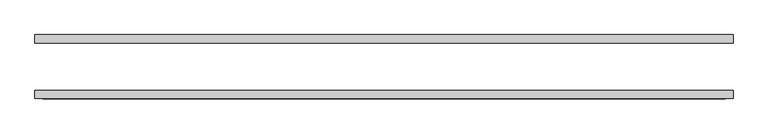
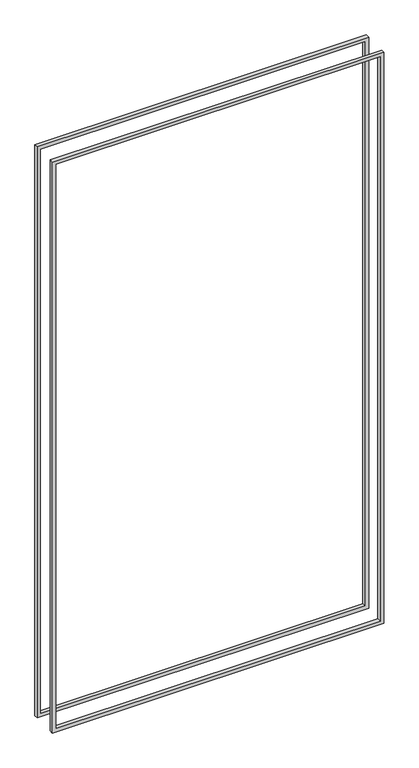
"""IFC4 building model written with IfcOpenShell, lengths in millimetres: proxy geometry."""

from ifc_helpers import new_model, si_unit, frame, origin, place, context, project, spatial, polyline, outline, extrude, source, transform, mapped, element, save


def generic_models_e42c4bb4(model_context):
    return source(origin(), model_context, "Body", "SweptSolid", [
        extrude(outline(polyline([(2392.3625, -649.2875), (26.9875, -649.2875), (26.9875, 649.2875), (2392.3625, 649.2875), (2392.3625, -649.2875)]), holes=[polyline([(2378.075, 635.0), (41.275, 635.0), (41.275, -635.0), (2378.075, -635.0), (2378.075, 635.0)])]), frame((0.0, -59.53125, 0.0), z_axis=(0.0, 1.0, 0.0), x_axis=(0.0, 0.0, 1.0)), (0.0, 0.0, 1.0), 15.08125),
        extrude(outline(polyline([(26.9875, 649.2875), (2392.3625, 649.2875), (2392.3625, -649.2875), (26.9875, -649.2875), (26.9875, 649.2875)]), holes=[polyline([(41.275, -635.0), (2378.075, -635.0), (2378.075, 635.0), (41.275, 635.0), (41.275, -635.0)])]), frame((0.0, 44.45, 0.0), z_axis=(0.0, 1.0, 0.0), x_axis=(0.0, 0.0, 1.0)), (0.0, 0.0, 1.0), 15.08125),
    ])


if __name__ == "__main__":
    model = new_model("IFC4")
    model_context = context("Model", 3, world=origin())
    ifc_project = project(units=[si_unit("LENGTHUNIT", "METRE", prefix="MILLI")], contexts=[model_context])
    site = spatial("IfcSite", under=ifc_project)
    building = spatial("IfcBuilding", under=site)
    placement = place(None, origin())
    generic_models_shape = generic_models_e42c4bb4(model_context)
    element("IfcBuildingElementProxy", 1, Name="Generic Models", at=placement, inside=building, context=model_context, shape_type="MappedRepresentation", body=[
        mapped(generic_models_shape, transform((0.0, 0.0, 0.0), x_axis=(1.0, 0.0, 0.0), y_axis=(0.0, 1.0, 0.0), z_axis=(0.0, 0.0, 1.0))),
    ])
    save(model, "model.ifc")
